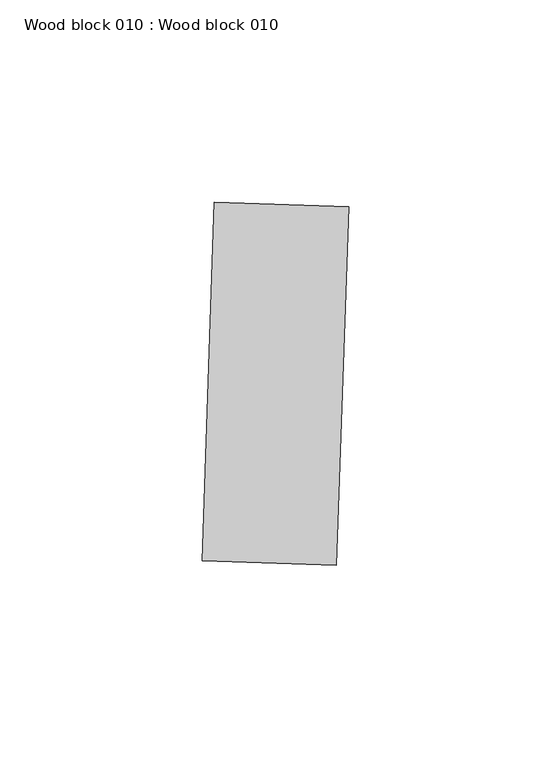
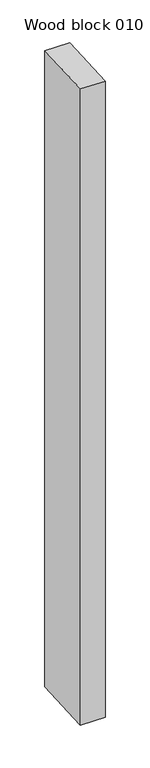
"""IFC4 building model written with IfcOpenShell, lengths in millimetres: proxy geometry, Wood block 010 : Wood block 010."""

from ifc_helpers import new_model, si_unit, frame, origin, place, context, project, spatial, polyline, outline, extrude, source, transform, mapped, element, save


def wood_block_010_wood_block_010_839e1f93(model_context):
    return source(origin(), model_context, "Body", "SweptSolid", [
        extrude(outline(polyline([(32671.4072702, -15466.9332947), (32674.4434131, -15378.2137462), (32707.6466324, -15379.3500203), (32704.6104894, -15468.0695687), (32671.4072702, -15466.9332947)])), frame((0.0, 0.0, 1597.975708), z_axis=(0.0, 0.0, 1.0), x_axis=(1.0, 0.0, 0.0)), (0.0, 0.0, 1.0), 914.4),
    ])


if __name__ == "__main__":
    model = new_model("IFC4")
    model_context = context("Model", 3, world=origin())
    ifc_project = project(units=[si_unit("LENGTHUNIT", "METRE", prefix="MILLI")], contexts=[model_context])
    site = spatial("IfcSite", under=ifc_project)
    building = spatial("IfcBuilding", under=site)
    placement = place(None, origin())
    wood_block_010_wood_block_010_shape = wood_block_010_wood_block_010_839e1f93(model_context)
    element("IfcBuildingElementProxy", 1, Name="Wood block 010 : Wood block 010", ObjectType="Wood block 010 : Wood block 010", at=placement, inside=building, context=model_context, shape_type="MappedRepresentation", body=[
        mapped(wood_block_010_wood_block_010_shape, transform((0.0, 0.0, 0.0), x_axis=(1.0, 0.0, 0.0), y_axis=(0.0, 1.0, 0.0), z_axis=(0.0, 0.0, 1.0))),
    ])
    save(model, "model.ifc")
